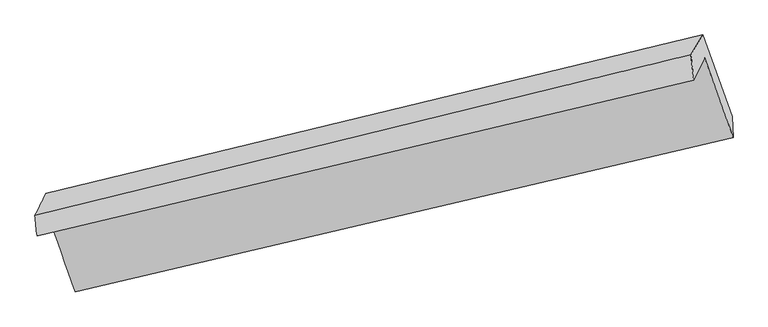
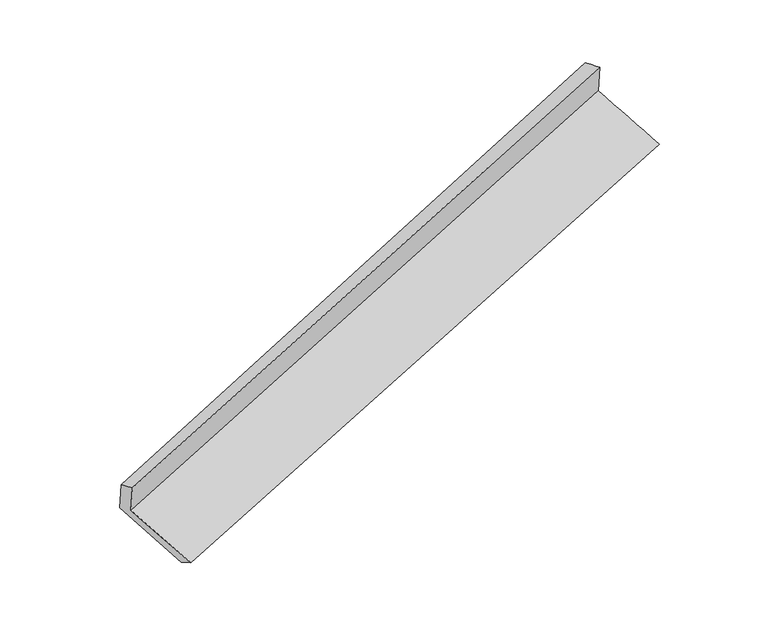
"""IFC4 building model written with IfcOpenShell, lengths in millimetres: proxy geometry."""

from ifc_helpers import new_model, si_unit, frame, origin, place, context, project, spatial, source, transform, mapped, element, save
from ifc_brep_helpers import plane_surface, spline_surface, advanced_brep


def generic_models_410ae53a(model_context):
    return source(origin(), model_context, "Body", "AdvancedBrep", [
        advanced_brep(
        [(-5349.2714496, -1920.642523, 1126.2626618), (-5141.8128294, -2500.1681962, 903.2390474), (-234.3015767, -1345.3703684, 2489.2149369), (-446.5789346, -751.3089076, 2717.9216068), (-5428.4220376, -2080.4778124, 1467.9672034), (-528.614636, -916.9703437, 3072.0816005), (-5444.0419835, -1929.5518088, 1412.4825864), (-548.8772986, -726.6194336, 3004.043839), (-5362.3707389, -1764.6263504, 1059.8960056), (-461.2317284, -579.1238607, 2645.4984115), (-5147.8912057, -2363.7646064, 829.3247202), (-238.8167432, -1190.0189992, 2398.1118121)],
        [
            (0, 1),
            (1, 2),
            (2, 3),
            (3, 0),
            (4, 0),
            (3, 5),
            (5, 4),
            (6, 4),
            (5, 7),
            (7, 6),
            (8, 6),
            (7, 9),
            (9, 8),
            (10, 8),
            (9, 11),
            (11, 10),
            (1, 10),
            (11, 2),
        ],
        [
            spline_surface(1, 1, [[(-5349.2714496, -1920.642523, 1126.2626618), (-446.5789346, -751.3089076, 2717.9216068)], [(-5141.8128294, -2500.1681962, 903.2390474), (-234.3015767, -1345.3703684, 2489.2149369)]], [2, 2], [2, 2], [0.0, 1.0], [0.0, 1.0]),
            plane_surface(frame((-5388.8467436, -2000.5601677, 1297.1149326), z_axis=(0.3210302125745642, -0.8842252040732483, -0.33924237809559177), x_axis=(0.20534425118281682, 0.4146685280751942, -0.8865008462094778))),
            spline_surface(1, 1, [[(-5444.0419835, -1929.5518088, 1412.4825864), (-548.8772986, -726.6194336, 3004.043839)], [(-5428.4220376, -2080.4778124, 1467.9672034), (-528.614636, -916.9703437, 3072.0816005)]], [2, 2], [2, 2], [0.0, 1.0], [0.0, 1.0]),
            spline_surface(1, 1, [[(-5362.3707389, -1764.6263504, 1059.8960056), (-461.2317284, -579.1238607, 2645.4984115)], [(-5444.0419835, -1929.5518088, 1412.4825864), (-548.8772986, -726.6194336, 3004.043839)]], [2, 2], [2, 2], [0.0, 1.0], [0.0, 1.0]),
            spline_surface(1, 1, [[(-5147.8912057, -2363.7646064, 829.3247202), (-238.8167432, -1190.0189992, 2398.1118121)], [(-5362.3707389, -1764.6263504, 1059.8960056), (-461.2317284, -579.1238607, 2645.4984115)]], [2, 2], [2, 2], [0.0, 1.0], [0.0, 1.0]),
            spline_surface(1, 1, [[(-5141.8128294, -2500.1681962, 903.2390474), (-234.3015767, -1345.3703684, 2489.2149369)], [(-5147.8912057, -2363.7646064, 829.3247202), (-238.8167432, -1190.0189992, 2398.1118121)]], [2, 2], [2, 2], [0.0, 1.0], [0.0, 1.0]),
            plane_surface(frame((-409.7368196, -918.2353189, 2721.1453678), z_axis=(0.9261524595320674, 0.21045416332025407, 0.3129707124378805), x_axis=(-0.22050228353324805, -0.3710753495182971, 0.9020431408400026))),
            plane_surface(frame((-5312.3017074, -2093.2052162, 1133.1953708), z_axis=(-0.9259711764416323, -0.2109610274934795, -0.3131658111579151), x_axis=(-0.3168771353465143, 0.8851810304693803, 0.3406514705556882))),
        ],
        [
            (0, [[1, 2, 3, 4]]),
            (1, [[5, -4, 6, 7]]),
            (2, [[8, -7, 9, 10]]),
            (3, [[11, -10, 12, 13]]),
            (4, [[14, -13, 15, 16]]),
            (5, [[17, -16, 18, -2]]),
            (6, [[-12, -9, -6, -3, -18, -15]]),
            (7, [[-1, -5, -8, -11, -14, -17]]),
        ],
    ),
    ])


if __name__ == "__main__":
    model = new_model("IFC4")
    model_context = context("Model", 3, world=origin())
    ifc_project = project(units=[si_unit("LENGTHUNIT", "METRE", prefix="MILLI")], contexts=[model_context])
    site = spatial("IfcSite", under=ifc_project)
    building = spatial("IfcBuilding", under=site)
    placement = place(None, origin())
    generic_models_shape = generic_models_410ae53a(model_context)
    element("IfcBuildingElementProxy", 1, Name="Generic Models", at=placement, inside=building, context=model_context, shape_type="MappedRepresentation", body=[
        mapped(generic_models_shape, transform((0.0, 0.0, 0.0), x_axis=(1.0, 0.0, 0.0), y_axis=(0.0, 1.0, 0.0), z_axis=(0.0, 0.0, 1.0))),
    ])
    save(model, "model.ifc")
